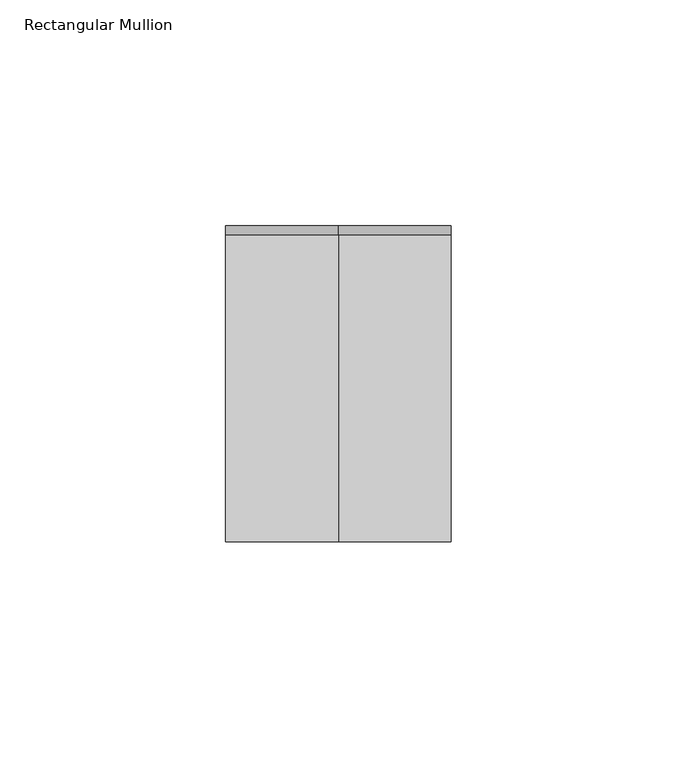
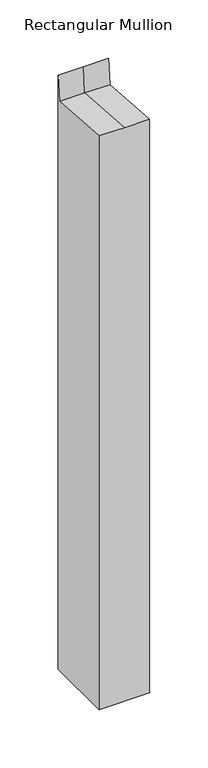
"""IFC4 building model written with IfcOpenShell, lengths in millimetres: member geometry, Rectangular Mullion."""

from ifc_helpers import new_model, si_unit, origin, place, context, project, spatial, faceted_brep, source, transform, mapped, element, save


def rectangular_mullion_462d1762(model_context):
    return source(origin(), model_context, "Body", "Brep", [
        faceted_brep([(25.0, 35.0, -597.3409732), (25.0, -35.0, -597.3409732), (-25.0, -35.0, -597.3409732), (-25.0, 35.0, -597.3409732), (-25.0, 35.0, 23.6908412), (0.0, 35.0, 23.6908412), (25.0, 35.0, 23.6908412), (-25.0, -35.0, 2.551933), (-25.0, 33.0345861, -2.5448021), (25.0, -35.0, 2.551933), (0.0, -35.0, 2.551933), (25.0, 33.0345861, -2.5448021), (0.0, 33.0345861, -2.5448021)], [[[0, 1, 2, 3]], [[4, 5, 6, 0, 3]], [[7, 8, 4, 3, 2]], [[9, 10, 7, 2, 1]], [[6, 11, 9, 1, 0]], [[6, 5, 12, 11]], [[5, 4, 8, 12]], [[8, 7, 10, 12]], [[10, 9, 11, 12]]]),
    ])


if __name__ == "__main__":
    model = new_model("IFC4")
    model_context = context("Model", 3, world=origin())
    ifc_project = project(units=[si_unit("LENGTHUNIT", "METRE", prefix="MILLI")], contexts=[model_context])
    site = spatial("IfcSite", under=ifc_project)
    building = spatial("IfcBuilding", under=site)
    placement = place(None, origin())
    rectangular_mullion_shape = rectangular_mullion_462d1762(model_context)
    element("IfcMember", 1, ObjectType="Rectangular Mullion", at=placement, inside=building, context=model_context, shape_type="MappedRepresentation", body=[
        mapped(rectangular_mullion_shape, transform((0.0, 0.0, 0.0), x_axis=(1.0, 0.0, 0.0), y_axis=(0.0, 1.0, 0.0), z_axis=(0.0, 0.0, 1.0))),
    ])
    save(model, "model.ifc")
